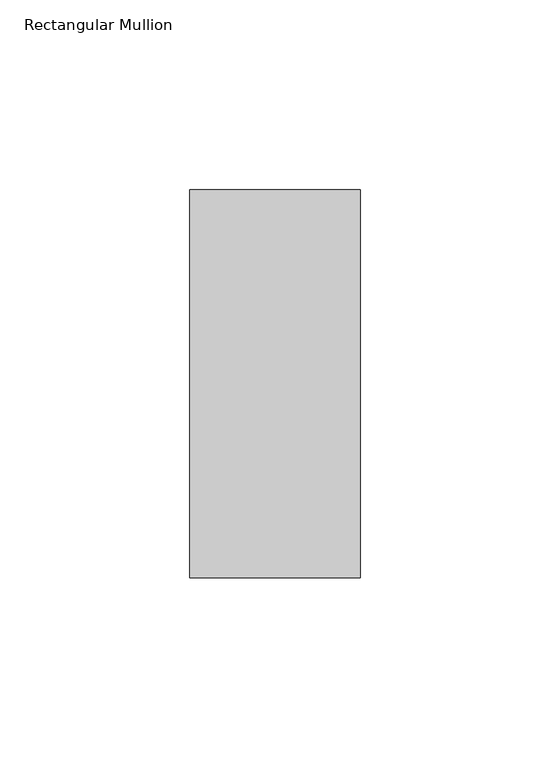
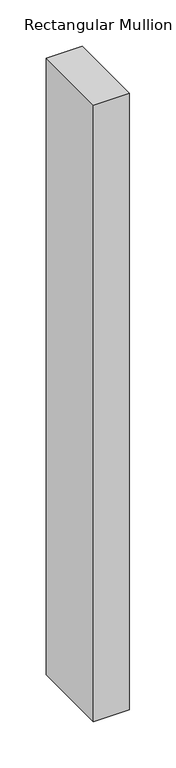
"""IFC4 building model written with IfcOpenShell, lengths in millimetres: member geometry, Rectangular Mullion."""

from ifc_helpers import new_model, si_unit, frame, origin, place, context, project, spatial, polyline, outline, extrude, source, transform, mapped, element, save


def rectangular_mullion_c60a248e(model_context):
    return source(origin(), model_context, "Body", "SweptSolid", [
        extrude(outline(polyline([(-45.0, 66.73125), (0.0, 66.73125), (0.0, -35.73125), (-45.0, -35.73125), (-45.0, 66.73125)])), frame((0.0, 0.0, -815.1967012), z_axis=(0.0, 0.0, 1.0), x_axis=(1.0, 0.0, 0.0)), (0.0, 0.0, 1.0), 815.1967012),
    ])


if __name__ == "__main__":
    model = new_model("IFC4")
    model_context = context("Model", 3, world=origin())
    ifc_project = project(units=[si_unit("LENGTHUNIT", "METRE", prefix="MILLI")], contexts=[model_context])
    site = spatial("IfcSite", under=ifc_project)
    building = spatial("IfcBuilding", under=site)
    placement = place(None, origin())
    rectangular_mullion_shape = rectangular_mullion_c60a248e(model_context)
    element("IfcMember", 1, ObjectType="Rectangular Mullion", at=placement, inside=building, context=model_context, shape_type="MappedRepresentation", body=[
        mapped(rectangular_mullion_shape, transform((0.0, 0.0, 0.0), x_axis=(1.0, 0.0, 0.0), y_axis=(0.0, 1.0, 0.0), z_axis=(0.0, 0.0, 1.0))),
    ])
    save(model, "model.ifc")
